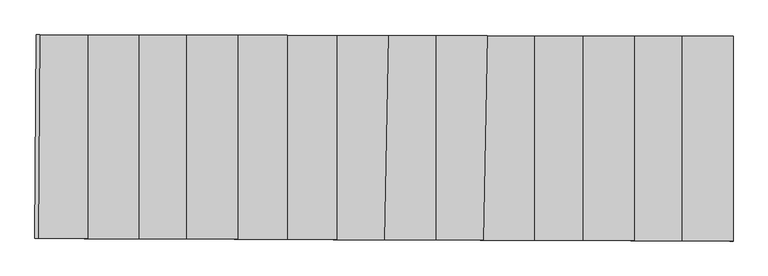
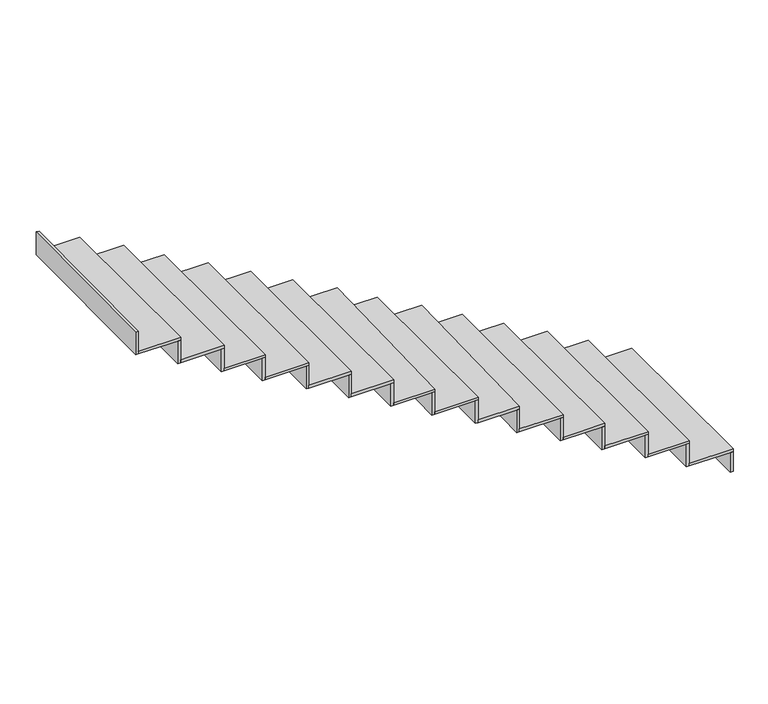
"""IFC4 building model written with IfcOpenShell, lengths in millimetres: stair flight geometry."""

from ifc_helpers import new_model, si_unit, frame, origin, place, context, project, spatial, polyline, outline, extrude, source, transform, mapped, element, save


def stair_flight_fd062a1c(model_context):
    return source(origin(), model_context, "Body", "SweptSolid", [
        extrude(outline(polyline([(-13288.8150867, 1872.1446204), (-13268.8150867, 1872.1012104), (-13268.8150867, 669.9328035), (-13288.8150867, 670.0063197), (-13288.8150867, 1872.1446204)])), frame((0.0, 0.0, -2416.5), z_axis=(0.0, 0.0, 1.0), x_axis=(1.0, 0.0, 0.0)), (0.0, 0.0, 1.0), 143.5197413),
        extrude(outline(polyline([(-13568.8150867, 671.0355453), (-13568.8150867, 1872.7523598), (-13268.8150867, 1872.1012104), (-13268.8150867, 669.9328035), (-13568.8150867, 671.0355453)])), frame((0.0, 0.0, -2272.9802587), z_axis=(0.0, 0.0, 1.0), x_axis=(1.0, 0.0, 0.0)), (0.0, 0.0, 1.0), 20.0),
        extrude(outline(polyline([(-13588.8150867, 1872.7957697), (-13568.8150867, 1872.7523598), (-13568.8150867, 671.0355453), (-13588.8150867, 671.1090614), (-13588.8150867, 1872.7957697)])), frame((0.0, 0.0, -2272.9802587), z_axis=(0.0, 0.0, 1.0), x_axis=(1.0, 0.0, 0.0)), (0.0, 0.0, 1.0), 163.5197413),
        extrude(outline(polyline([(-13848.8150867, 672.064771), (-13848.8150867, 1873.3600992), (-13568.8150867, 1872.7523598), (-13568.8150867, 671.0355453), (-13848.8150867, 672.064771)])), frame((0.0, 0.0, -2109.4605175), z_axis=(0.0, 0.0, 1.0), x_axis=(1.0, 0.0, 0.0)), (0.0, 0.0, 1.0), 20.0),
        extrude(outline(polyline([(-13868.8150867, 1873.4035091), (-13848.8150867, 1873.3600992), (-13848.8150867, 672.064771), (-13868.8150867, 672.1382871), (-13868.8150867, 1873.4035091)])), frame((0.0, 0.0, -2109.4605175), z_axis=(0.0, 0.0, 1.0), x_axis=(1.0, 0.0, 0.0)), (0.0, 0.0, 1.0), 163.5197413),
        extrude(outline(polyline([(-14148.8150867, 673.1675128), (-14148.8150867, 1874.0112485), (-13848.8150867, 1873.3600992), (-13848.8150867, 672.064771), (-14148.8150867, 673.1675128)])), frame((0.0, 0.0, -1945.9407762), z_axis=(0.0, 0.0, 1.0), x_axis=(1.0, 0.0, 0.0)), (0.0, 0.0, 1.0), 20.0),
        extrude(outline(polyline([(-14168.8150867, 1874.0546585), (-14148.8150867, 1874.0112485), (-14148.8150867, 673.1675128), (-14168.8150867, 673.2410289), (-14168.8150867, 1874.0546585)])), frame((0.0, 0.0, -1945.9407762), z_axis=(0.0, 0.0, 1.0), x_axis=(1.0, 0.0, 0.0)), (0.0, 0.0, 1.0), 163.5197413),
        extrude(outline(polyline([(-14433.8150867, 674.2151175), (-14433.8150867, 1874.6298404), (-14148.8150867, 1874.0112485), (-14148.8150867, 673.1675128), (-14433.8150867, 674.2151175)])), frame((0.0, 0.0, -1782.421035), z_axis=(0.0, 0.0, 1.0), x_axis=(1.0, 0.0, 0.0)), (0.0, 0.0, 1.0), 20.0),
        extrude(outline(polyline([(-14453.8150867, 1874.6732504), (-14433.8150867, 1874.6298404), (-14433.8150867, 674.2151175), (-14453.8150867, 674.2886336), (-14453.8150867, 1874.6732504)])), frame((0.0, 0.0, -1782.421035), z_axis=(0.0, 0.0, 1.0), x_axis=(1.0, 0.0, 0.0)), (0.0, 0.0, 1.0), 163.5197413),
        extrude(outline(polyline([(-14732.2216886, 675.3120023), (-14711.0616273, 1875.2316034), (-14433.8150867, 1874.6298404), (-14433.8150867, 674.2151175), (-14732.2216886, 675.3120023)])), frame((0.0, 0.0, -1618.9012937), z_axis=(0.0, 0.0, 1.0), x_axis=(1.0, 0.0, 0.0)), (0.0, 0.0, 1.0), 20.0),
        extrude(outline(polyline([(-14731.0639712, 1875.2750185), (-14711.0616273, 1875.2316034), (-14732.2216886, 675.3120023), (-14752.2235016, 675.3855251), (-14731.0639712, 1875.2750185)])), frame((0.0, 0.0, -1618.9012937), z_axis=(0.0, 0.0, 1.0), x_axis=(1.0, 0.0, 0.0)), (0.0, 0.0, 1.0), 163.5197413),
        extrude(outline(polyline([(-15013.5238621, 676.3460145), (-15013.5238621, 1875.888097), (-14711.0616273, 1875.2316034), (-14732.2216886, 675.3120023), (-15013.5238621, 676.3460145)])), frame((0.0, 0.0, -1455.3815524), z_axis=(0.0, 0.0, 1.0), x_axis=(1.0, 0.0, 0.0)), (0.0, 0.0, 1.0), 20.0),
        extrude(outline(polyline([(-15033.5238621, 1875.931507), (-15013.5238621, 1875.888097), (-15013.5238621, 676.3460145), (-15033.5238621, 676.4195306), (-15033.5238621, 1875.931507)])), frame((0.0, 0.0, -1455.3815524), z_axis=(0.0, 0.0, 1.0), x_axis=(1.0, 0.0, 0.0)), (0.0, 0.0, 1.0), 163.5197413),
        extrude(outline(polyline([(-15313.9263505, 677.4502358), (-15290.4409399, 1876.4891449), (-15013.5238621, 1875.888097), (-15013.5238621, 676.3460145), (-15313.9263505, 677.4502358)])), frame((0.0, 0.0, -1291.8618112), z_axis=(0.0, 0.0, 1.0), x_axis=(1.0, 0.0, 0.0)), (0.0, 0.0, 1.0), 20.0),
        extrude(outline(polyline([(-15310.4439256, 1876.5325614), (-15290.4409399, 1876.4891449), (-15313.9263505, 677.4502358), (-15333.9287465, 677.5237607), (-15310.4439256, 1876.5325614)])), frame((0.0, 0.0, -1291.8618112), z_axis=(0.0, 0.0, 1.0), x_axis=(1.0, 0.0, 0.0)), (0.0, 0.0, 1.0), 163.5197413),
        extrude(outline(polyline([(-15593.7007865, 678.4786323), (-15593.7007865, 1877.1473698), (-15290.4409399, 1876.4891449), (-15313.9263505, 677.4502358), (-15593.7007865, 678.4786323)])), frame((0.0, 0.0, -1128.3420699), z_axis=(0.0, 0.0, 1.0), x_axis=(1.0, 0.0, 0.0)), (0.0, 0.0, 1.0), 20.0),
        extrude(outline(polyline([(-15613.7007865, 1877.1907797), (-15593.7007865, 1877.1473698), (-15593.7007865, 678.4786323), (-15613.7007865, 678.5521484), (-15613.7007865, 1877.1907797)])), frame((0.0, 0.0, -1128.3420699), z_axis=(0.0, 0.0, 1.0), x_axis=(1.0, 0.0, 0.0)), (0.0, 0.0, 1.0), 163.5197413),
        extrude(outline(polyline([(-15882.8181585, 679.5413717), (-15882.8181585, 1877.7748984), (-15593.7007865, 1877.1473698), (-15593.7007865, 678.4786323), (-15882.8181585, 679.5413717)])), frame((0.0, 0.0, -964.8223286), z_axis=(0.0, 0.0, 1.0), x_axis=(1.0, 0.0, 0.0)), (0.0, 0.0, 1.0), 20.0),
        extrude(outline(polyline([(-15902.8181585, 1877.8183084), (-15882.8181585, 1877.7748984), (-15882.8181585, 679.5413717), (-15902.8181585, 679.6148878), (-15902.8181585, 1877.8183084)])), frame((0.0, 0.0, -964.8223286), z_axis=(0.0, 0.0, 1.0), x_axis=(1.0, 0.0, 0.0)), (0.0, 0.0, 1.0), 163.5197413),
        extrude(outline(polyline([(-16174.0546066, 680.6119004), (-16174.0546066, 1878.4070265), (-15882.8181585, 1877.7748984), (-15882.8181585, 679.5413717), (-16174.0546066, 680.6119004)])), frame((0.0, 0.0, -801.3025874), z_axis=(0.0, 0.0, 1.0), x_axis=(1.0, 0.0, 0.0)), (0.0, 0.0, 1.0), 20.0),
        extrude(outline(polyline([(-16194.0546066, 1878.4504364), (-16174.0546066, 1878.4070265), (-16174.0546066, 680.6119004), (-16194.0546066, 680.6854165), (-16194.0546066, 1878.4504364)])), frame((0.0, 0.0, -801.3025874), z_axis=(0.0, 0.0, 1.0), x_axis=(1.0, 0.0, 0.0)), (0.0, 0.0, 1.0), 163.5197413),
        extrude(outline(polyline([(-16474.0546066, 681.7146421), (-16474.0546066, 1879.0581758), (-16174.0546066, 1878.4070265), (-16174.0546066, 680.6119004), (-16474.0546066, 681.7146421)])), frame((0.0, 0.0, -637.7828461), z_axis=(0.0, 0.0, 1.0), x_axis=(1.0, 0.0, 0.0)), (0.0, 0.0, 1.0), 20.0),
        extrude(outline(polyline([(-16494.0546066, 1879.1015858), (-16474.0546066, 1879.0581758), (-16474.0546066, 681.7146421), (-16494.0546066, 681.7881583), (-16494.0546066, 1879.1015858)])), frame((0.0, 0.0, -637.7828461), z_axis=(0.0, 0.0, 1.0), x_axis=(1.0, 0.0, 0.0)), (0.0, 0.0, 1.0), 163.5197413),
        extrude(outline(polyline([(-16754.0546066, 682.7438678), (-16754.0546066, 1879.6659152), (-16474.0546066, 1879.0581758), (-16474.0546066, 681.7146421), (-16754.0546066, 682.7438678)])), frame((0.0, 0.0, -474.2631049), z_axis=(0.0, 0.0, 1.0), x_axis=(1.0, 0.0, 0.0)), (0.0, 0.0, 1.0), 20.0),
        extrude(outline(polyline([(-16774.0546066, 1879.7093252), (-16754.0546066, 1879.6659152), (-16754.0546066, 682.7438678), (-16774.0546066, 682.8173839), (-16774.0546066, 1879.7093252)])), frame((0.0, 0.0, -474.2631049), z_axis=(0.0, 0.0, 1.0), x_axis=(1.0, 0.0, 0.0)), (0.0, 0.0, 1.0), 163.5197413),
        extrude(outline(polyline([(-17053.5686019, 683.8448232), (-17053.5686019, 1880.3160097), (-16754.0546066, 1879.6659152), (-16754.0546066, 682.7438678), (-17053.5686019, 683.8448232)])), frame((0.0, 0.0, -310.7433636), z_axis=(0.0, 0.0, 1.0), x_axis=(1.0, 0.0, 0.0)), (0.0, 0.0, 1.0), 20.0),
        extrude(outline(polyline([(-17073.5686019, 1880.3594196), (-17053.5686019, 1880.3160097), (-17053.5686019, 683.8448232), (-17073.5686019, 683.9183393), (-17073.5686019, 1880.3594196)])), frame((0.0, 0.0, -310.7433636), z_axis=(0.0, 0.0, 1.0), x_axis=(1.0, 0.0, 0.0)), (0.0, 0.0, 1.0), 163.5197413),
        extrude(outline(polyline([(-17353.8900977, 1880.9678568), (-17333.8899192, 1880.9244465), (-17342.1665786, 684.9056533), (-17362.1665487, 684.9791693), (-17353.8900977, 1880.9678568)])), frame((0.0, 0.0, -147.2236223), z_axis=(0.0, 0.0, 1.0), x_axis=(1.0, 0.0, 0.0)), (0.0, 0.0, 1.0), 163.5197413),
        extrude(outline(polyline([(-17342.1665786, 684.9056533), (-17333.8899192, 1880.9244465), (-17053.5686019, 1880.3160097), (-17053.5686019, 683.8448232), (-17342.1665786, 684.9056533)])), frame((0.0, 0.0, -147.2236223), z_axis=(0.0, 0.0, 1.0), x_axis=(1.0, 0.0, 0.0)), (0.0, 0.0, 1.0), 20.0),
    ])


if __name__ == "__main__":
    model = new_model("IFC4")
    model_context = context("Model", 3, world=origin())
    ifc_project = project(units=[si_unit("LENGTHUNIT", "METRE", prefix="MILLI")], contexts=[model_context])
    site = spatial("IfcSite", under=ifc_project)
    building = spatial("IfcBuilding", under=site)
    placement = place(None, origin())
    stair_flight_shape = stair_flight_fd062a1c(model_context)
    element("IfcStairFlight", 1, at=placement, inside=building, context=model_context, shape_type="MappedRepresentation", body=[
        mapped(stair_flight_shape, transform((0.0, 0.0, 0.0), x_axis=(1.0, 0.0, 0.0), y_axis=(0.0, 1.0, 0.0), z_axis=(0.0, 0.0, 1.0))),
    ])
    save(model, "model.ifc")
